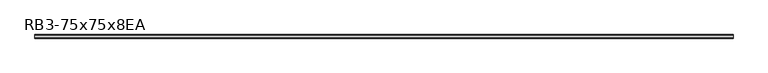
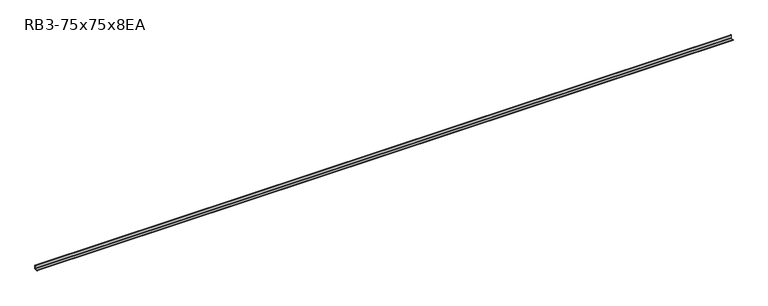
"""IFC4 building model written with IfcOpenShell, lengths in millimetres: member geometry, RB3-75x75x8EA."""

from ifc_helpers import new_model, si_unit, point, frame, frame_2d, origin, place, context, project, spatial, polyline, circle_curve, trimmed, segment, composite_curve, outline, extrude, source, transform, mapped, element, save


def rb3_75x75x8ea_86780cc5(model_context):
    return source(origin(), model_context, "Body", "SweptSolid", [
        extrude(outline(composite_curve([segment(polyline([(21.3, -21.3), (-53.7, -21.3), (-53.7, -18.3)]), True, "CONTINUOUS"), segment(trimmed(circle_curve(frame_2d((-48.7, -18.3)), 5.0), [point((-53.7, -18.3))], [point((-48.7, -13.3))], False, "CARTESIAN"), True, "CONTINUOUS"), segment(polyline([(-48.7, -13.3), (5.3, -13.3)]), True, "CONTINUOUS"), segment(trimmed(circle_curve(frame_2d((5.3, -5.3)), 8.0), [point((5.3, -13.3))], [point((13.3, -5.3))], True, "CARTESIAN"), True, "CONTINUOUS"), segment(polyline([(13.3, -5.3), (13.3, 48.7)]), True, "CONTINUOUS"), segment(trimmed(circle_curve(frame_2d((18.3, 48.7)), 5.0), [point((13.3, 48.7))], [point((18.3, 53.7))], False, "CARTESIAN"), True, "CONTINUOUS"), segment(polyline([(18.3, 53.7), (21.3, 53.7), (21.3, -21.3)]), True, "CONTINUOUS")], self_intersect=False)), frame((-7342.9651904, 0.0, 0.0), z_axis=(1.0, 0.0, 0.0), x_axis=(0.0, 1.0, 0.0)), (0.0, 0.0, 1.0), 14511.9651904),
    ])


if __name__ == "__main__":
    model = new_model("IFC4")
    model_context = context("Model", 3, world=origin())
    ifc_project = project(units=[si_unit("LENGTHUNIT", "METRE", prefix="MILLI")], contexts=[model_context])
    site = spatial("IfcSite", under=ifc_project)
    building = spatial("IfcBuilding", under=site)
    placement = place(None, origin())
    rb3_75x75x8ea_shape = rb3_75x75x8ea_86780cc5(model_context)
    element("IfcMember", 1, ObjectType="RB3-75x75x8EA", at=placement, inside=building, context=model_context, shape_type="MappedRepresentation", body=[
        mapped(rb3_75x75x8ea_shape, transform((0.0, 0.0, 0.0), x_axis=(1.0, 0.0, 0.0), y_axis=(0.0, 1.0, 0.0), z_axis=(0.0, 0.0, 1.0))),
    ])
    save(model, "model.ifc")
